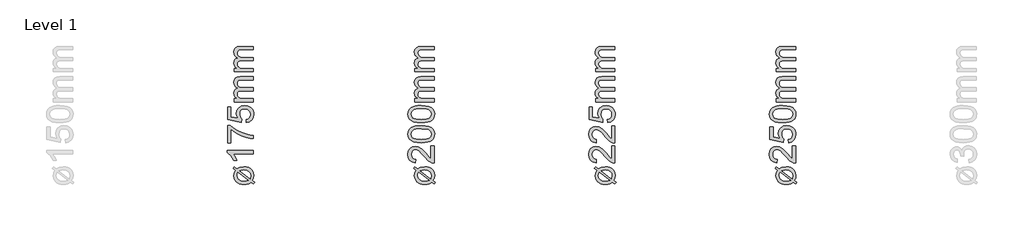
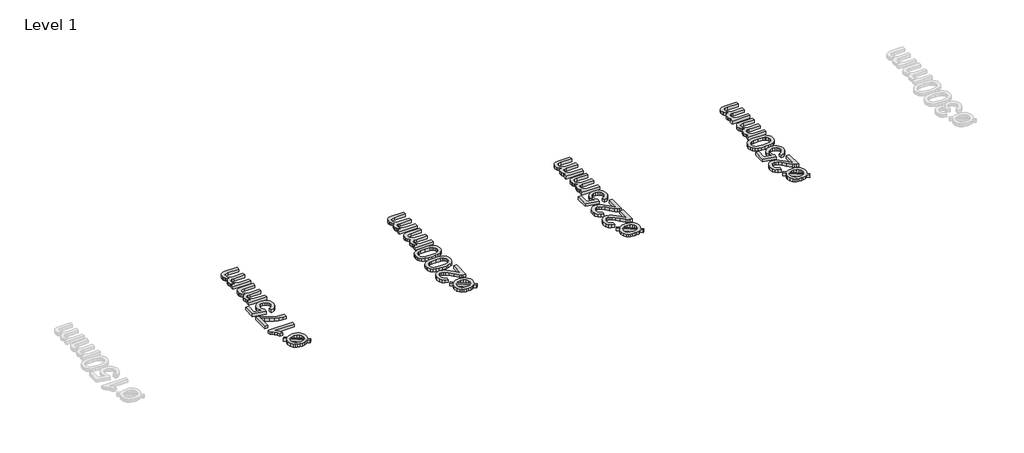
# One storey, part 16 of 17: 4 proxies.
"""IFC4 building model written with IfcOpenShell, lengths in millimetres."""

from ifc_helpers import new_model, si_unit, origin, origin_with_axes, place, context, project, spatial, polyline, outline, extrude, element, save

model = new_model("IFC4")

# Units and contexts
model_context = context("Model", 3, world=origin())
ifc_project = project(units=[si_unit("LENGTHUNIT", "METRE", prefix="MILLI")], contexts=[model_context])

# Site, building, storey
site = spatial("IfcSite", under=ifc_project)
building = spatial("IfcBuilding", under=site)
storey = spatial("IfcBuildingStorey", under=building, Name="Level 1", Elevation=0.0)

# Proxies
placement = place(None, origin())
element("IfcBuildingElementProxy", 1, Name="250mm", ObjectType="250mm", at=placement, inside=storey, context=model_context, shape_type="SweptSolid", body=[
    extrude(outline(polyline([(7343.3524153, 3032.5908228), (7319.0735691, 3050.9802459), (7330.2514537, 3065.6437074), (7355.6721268, 3046.3528421), (7381.934146, 3061.8576498), (7421.1168383, 3067.4465921), (7444.6595066, 3065.7000476), (7464.8668383, 3060.4604142), (7481.7388335, 3051.7276918), (7495.2754922, 3039.5018805), (7509.5182807, 3014.5169046), (7514.2658768, 2984.8744767), (7510.2244105, 2960.1298853), (7498.1000114, 2938.4201498), (7521.9581845, 2920.3312074), (7511.0206845, 2905.4273613), (7488.2442422, 2922.7350536), (7465.0471268, 2908.7326498), (7445.2454441, 2903.7296449), (7422.9798191, 2902.0619767), (7399.093476, 2903.5794046), (7378.7565619, 2908.1316882), (7361.9690769, 2915.7188276), (7348.731021, 2926.3408228), (7331.536009, 2952.7380584), (7325.8043383, 2983.3720728), (7330.0411172, 3008.3119767), (7343.3524153, 3032.5908228)]), holes=[polyline([(7365.2274153, 3016.0042844), (7358.7370307, 3000.619669), (7356.5735691, 2984.5138998), (7360.7277158, 2964.306568), (7373.1901557, 2947.6749574), (7393.8707446, 2936.5421449), (7422.6793383, 2932.8312074), (7445.0952037, 2934.9796449), (7463.544723, 2941.4249574), (7365.2274153, 3016.0042844)]), polyline([(7380.6120307, 3027.4826498), (7478.388473, 2953.3239959), (7483.496646, 2982.8913036), (7479.4326436, 3004.2254382), (7467.2406364, 3021.4730344), (7446.9356484, 3032.8762796), (7418.5327037, 3036.6773613), (7397.3187614, 3034.3336113), (7380.6120307, 3027.4826498)])]), origin_with_axes(), (0.0, 0.0, 1.0), 30.0),
    extrude(outline(polyline([(7510.419723, 3221.2927459), (7510.419723, 3190.5235151), (7318.5927999, 3190.5235151), (7339.356021, 3161.3768805), (7354.8908768, 3128.9850536), (7325.8043383, 3128.9850536), (7312.6583047, 3153.1512195), (7297.0182807, 3174.0872171), (7280.3866701, 3190.5911233), (7264.2658768, 3201.4610151), (7264.2658768, 3221.2927459), (7510.419723, 3221.2927459)])), origin_with_axes(), (0.0, 0.0, 1.0), 30.0),
    extrude(outline(polyline([(7298.8812614, 3294.369669), (7268.1120307, 3294.369669), (7268.1120307, 3455.9081305), (7292.9918383, 3455.9081305), (7322.1309609, 3432.8837916), (7359.1877518, 3410.0848132), (7400.7818023, 3389.9751377), (7443.5327037, 3375.0187074), (7475.5188816, 3367.6869767), (7510.419723, 3363.6004382), (7510.419723, 3332.8312074), (7478.7039778, 3336.159032), (7441.0086653, 3345.0607748), (7401.052235, 3359.2960512), (7362.5531364, 3378.6244767), (7327.7499513, 3401.1905824), (7298.8812614, 3425.1388998), (7298.8812614, 3294.369669)])), origin_with_axes(), (0.0, 0.0, 1.0), 30.0),
    extrude(outline(polyline([(7445.0351076, 3482.8312074), (7441.1889537, 3513.6004382), (7459.661009, 3519.2494767), (7472.8896749, 3529.1052459), (7480.8449033, 3543.1226738), (7483.496646, 3561.2566882), (7479.8082446, 3583.3119767), (7468.7430403, 3599.838419), (7451.5780763, 3610.1599334), (7429.590396, 3613.6004382), (7408.887271, 3610.377782), (7393.0519345, 3600.7098132), (7383.0008528, 3584.5214118), (7379.6504922, 3561.7374574), (7384.9990499, 3534.7242363), (7398.8812614, 3517.4465921), (7395.0351076, 3486.6773613), (7268.1120307, 3513.6004382), (7268.1120307, 3632.8312074), (7298.8812614, 3632.8312074), (7298.8812614, 3538.4802459), (7366.669723, 3525.3191882), (7353.3283768, 3547.2993565), (7348.8812614, 3570.3312074), (7354.3950835, 3599.079705), (7370.9365499, 3622.9453901), (7396.1468864, 3639.0135993), (7427.6673191, 3644.369669), (7458.4365499, 3639.5469526), (7484.7586653, 3625.0788036), (7497.6680703, 3612.2933469), (7506.8890739, 3597.3744767), (7512.4216761, 3580.322193), (7514.2658768, 3561.1364959), (7509.5257927, 3530.9156425), (7495.3055403, 3506.8396209), (7473.2577638, 3490.3357147), (7445.0351076, 3482.8312074)])), origin_with_axes(), (0.0, 0.0, 1.0), 30.0),
    extrude(outline(polyline([(7510.419723, 3678.9850536), (7329.6504922, 3678.9850536), (7329.6504922, 3709.7542844), (7359.3980883, 3709.7542844), (7345.7337254, 3719.0090921), (7335.029098, 3730.9081305), (7328.1105283, 3745.0457507), (7325.8043383, 3761.0163036), (7328.1556004, 3778.1286834), (7335.2093864, 3791.8456305), (7346.4999513, 3802.0920248), (7361.5615499, 3808.7927459), (7345.9177698, 3820.0081906), (7334.7436412, 3832.8011594), (7328.0391641, 3847.1716522), (7325.8043383, 3863.119669), (7329.5227879, 3886.2491762), (7340.6781364, 3903.354044), (7359.5708648, 3913.923455), (7386.5014537, 3917.4465921), (7510.419723, 3917.4465921), (7510.419723, 3886.6773613), (7399.7226076, 3886.6773613), (7374.0315018, 3883.822794), (7361.3812614, 3873.4862555), (7356.5735691, 3855.9081305), (7359.653497, 3839.2389599), (7368.8932807, 3825.6497171), (7384.9239297, 3816.6127579), (7408.3764537, 3813.6004382), (7510.419723, 3813.6004382), (7510.419723, 3782.8312074), (7396.2971268, 3782.8312074), (7378.8992903, 3781.0508589), (7366.4894345, 3775.7098132), (7359.0525355, 3766.3122772), (7356.5735691, 3752.3624574), (7358.2262133, 3740.5084911), (7363.184146, 3729.5860151), (7371.3271749, 3720.5715921), (7382.5351076, 3714.4417844), (7419.2538576, 3709.7542844), (7510.419723, 3709.7542844), (7510.419723, 3678.9850536)])), origin_with_axes(), (0.0, 0.0, 1.0), 30.0),
    extrude(outline(polyline([(7510.419723, 3963.6004382), (7329.6504922, 3963.6004382), (7329.6504922, 3994.369669), (7359.3980883, 3994.369669), (7345.7337254, 4003.6244767), (7335.029098, 4015.5235151), (7328.1105283, 4029.6611353), (7325.8043383, 4045.6316882), (7328.1556004, 4062.744068), (7335.2093864, 4076.4610151), (7346.4999513, 4086.7074094), (7361.5615499, 4093.4081305), (7345.9177698, 4104.6235752), (7334.7436412, 4117.416544), (7328.0391641, 4131.7870368), (7325.8043383, 4147.7350536), (7329.5227879, 4170.8645608), (7340.6781364, 4187.9694286), (7359.5708648, 4198.5388397), (7386.5014537, 4202.0619767), (7510.419723, 4202.0619767), (7510.419723, 4171.2927459), (7399.7226076, 4171.2927459), (7374.0315018, 4168.4381786), (7361.3812614, 4158.1016401), (7356.5735691, 4140.5235151), (7359.653497, 4123.8543445), (7368.8932807, 4110.2651017), (7384.9239297, 4101.2281425), (7408.3764537, 4098.2158228), (7510.419723, 4098.2158228), (7510.419723, 4067.4465921), (7396.2971268, 4067.4465921), (7378.8992903, 4065.6662435), (7366.4894345, 4060.3251978), (7359.0525355, 4050.9276618), (7356.5735691, 4036.9778421), (7358.2262133, 4025.1238757), (7363.184146, 4014.2013998), (7371.3271749, 4005.1869767), (7382.5351076, 3999.057169), (7419.2538576, 3994.369669), (7510.419723, 3994.369669), (7510.419723, 3963.6004382)])), origin_with_axes(), (0.0, 0.0, 1.0), 30.0),
])
element("IfcBuildingElementProxy", 2, Name="250mm", ObjectType="250mm", at=placement, inside=storey, context=model_context, shape_type="SweptSolid", body=[
    extrude(outline(polyline([(9043.3524153, 3032.5908228), (9019.0735691, 3050.9802459), (9030.2514537, 3065.6437074), (9055.6721268, 3046.3528421), (9081.934146, 3061.8576498), (9121.1168383, 3067.4465921), (9144.6595066, 3065.7000476), (9164.8668383, 3060.4604142), (9181.7388335, 3051.7276918), (9195.2754922, 3039.5018805), (9209.5182807, 3014.5169046), (9214.2658768, 2984.8744767), (9210.2244105, 2960.1298853), (9198.1000114, 2938.4201498), (9221.9581845, 2920.3312074), (9211.0206845, 2905.4273613), (9188.2442422, 2922.7350536), (9165.0471268, 2908.7326498), (9145.2454441, 2903.7296449), (9122.9798191, 2902.0619767), (9099.093476, 2903.5794046), (9078.7565619, 2908.1316882), (9061.9690769, 2915.7188276), (9048.731021, 2926.3408228), (9031.536009, 2952.7380584), (9025.8043383, 2983.3720728), (9030.0411172, 3008.3119767), (9043.3524153, 3032.5908228)]), holes=[polyline([(9065.2274153, 3016.0042844), (9058.7370307, 3000.619669), (9056.5735691, 2984.5138998), (9060.7277158, 2964.306568), (9073.1901557, 2947.6749574), (9093.8707446, 2936.5421449), (9122.6793383, 2932.8312074), (9145.0952037, 2934.9796449), (9163.544723, 2941.4249574), (9065.2274153, 3016.0042844)]), polyline([(9080.6120307, 3027.4826498), (9178.388473, 2953.3239959), (9183.496646, 2982.8913036), (9179.4326436, 3004.2254382), (9167.2406364, 3021.4730344), (9146.9356484, 3032.8762796), (9118.5327037, 3036.6773613), (9097.3187614, 3034.3336113), (9080.6120307, 3027.4826498)])]), origin_with_axes(), (0.0, 0.0, 1.0), 30.0),
    extrude(outline(polyline([(9179.6504922, 3263.6004382), (9210.419723, 3263.6004382), (9210.419723, 3102.0619767), (9189.2057807, 3105.3672651), (9172.6267542, 3112.9544046), (9156.543521, 3124.057169), (9120.8764537, 3162.5788036), (9091.3842662, 3195.7819286), (9069.6144345, 3215.7038036), (9051.9461653, 3225.6647411), (9034.7586653, 3228.9850536), (9019.3515138, 3225.8525416), (9006.543521, 3216.4550055), (8997.9122109, 3202.0093925), (8995.0351076, 3183.7326498), (8997.8446028, 3164.5394406), (9006.2730883, 3149.6280824), (9019.6595066, 3140.0051858), (9037.3427999, 3136.6773613), (9033.496646, 3105.9081305), (9003.7340258, 3113.3675656), (8981.9942422, 3129.4958709), (8968.6979682, 3153.4517002), (8964.2658768, 3184.3937074), (8969.1937614, 3215.5610752), (8983.9774153, 3239.4718324), (9006.0627518, 3254.6836714), (9032.8956845, 3259.7542844), (9062.0723672, 3254.2855344), (9092.2406364, 3236.1064478), (9134.3980883, 3192.025919), (9163.9954441, 3156.6292844), (9179.6504922, 3142.7470728), (9179.6504922, 3263.6004382)])), origin_with_axes(), (0.0, 0.0, 1.0), 30.0),
    extrude(outline(polyline([(9089.325973, 3294.369669), (9049.9254321, 3296.6307868), (9018.5026557, 3303.4141401), (8994.5768744, 3314.6521209), (8977.6673191, 3330.2771209), (8967.6162374, 3350.4018204), (8964.2658768, 3375.1388998), (8966.2490499, 3394.0992363), (8972.1985691, 3411.0763998), (8981.8815619, 3425.2741161), (8995.0651557, 3435.8961113), (9031.4834249, 3450.3191882), (9056.6862494, 3454.5108949), (9089.325973, 3455.9081305), (9128.5011533, 3453.6695488), (9159.8488095, 3446.9538036), (9183.7971268, 3435.783431), (9200.7742903, 3420.1809671), (9210.8929802, 3400.0111954), (9214.2658768, 3375.1388998), (9212.8010331, 3358.1917844), (9208.4065018, 3343.1677459), (9201.0822831, 3330.0667844), (9190.8283768, 3318.8888998), (9172.2924694, 3308.1617363), (9149.1967662, 3300.4994767), (9121.5412674, 3295.9021209), (9089.325973, 3294.369669)]), holes=[polyline([(9089.2658768, 3325.1388998), (9137.6658167, 3328.744669), (9154.2204291, 3333.2518805), (9165.6781364, 3339.5619767), (9179.0420186, 3355.6677459), (9183.496646, 3375.1388998), (9179.0269946, 3394.6100536), (9165.6180403, 3410.7158228), (9154.1415529, 3417.025919), (9137.5906965, 3421.5331305), (9089.2658768, 3425.1388998), (9041.9551797, 3421.6533228), (9025.4550295, 3417.2963517), (9013.7250114, 3411.1965921), (8999.7075835, 3395.1208709), (8995.0351076, 3374.7783228), (8999.1516941, 3355.5175055), (9011.5014537, 3340.0427459), (9024.2718864, 3333.5223132), (9041.4894345, 3328.8648613), (9089.2658768, 3325.1388998)])]), origin_with_axes(), (0.0, 0.0, 1.0), 30.0),
    extrude(outline(polyline([(9089.325973, 3482.8312074), (9049.9254321, 3485.0923252), (9018.5026557, 3491.8756786), (8994.5768744, 3503.1136594), (8977.6673191, 3518.7386594), (8967.6162374, 3538.8633589), (8964.2658768, 3563.6004382), (8966.2490499, 3582.5607748), (8972.1985691, 3599.5379382), (8981.8815619, 3613.7356546), (8995.0651557, 3624.3576498), (9031.4834249, 3638.7807267), (9056.6862494, 3642.9724334), (9089.325973, 3644.369669), (9128.5011533, 3642.1310873), (9159.8488095, 3635.4153421), (9183.7971268, 3624.2449695), (9200.7742903, 3608.6425055), (9210.8929802, 3588.4727339), (9214.2658768, 3563.6004382), (9212.8010331, 3546.6533228), (9208.4065018, 3531.6292844), (9201.0822831, 3518.5283228), (9190.8283768, 3507.3504382), (9172.2924694, 3496.6232748), (9149.1967662, 3488.9610151), (9121.5412674, 3484.3636594), (9089.325973, 3482.8312074)]), holes=[polyline([(9089.2658768, 3513.6004382), (9137.6658167, 3517.2062074), (9154.2204291, 3521.713419), (9165.6781364, 3528.0235151), (9179.0420186, 3544.1292844), (9183.496646, 3563.6004382), (9179.0269946, 3583.0715921), (9165.6180403, 3599.1773613), (9154.1415529, 3605.4874574), (9137.5906965, 3609.994669), (9089.2658768, 3613.6004382), (9041.9551797, 3610.1148613), (9025.4550295, 3605.7578901), (9013.7250114, 3599.6581305), (8999.7075835, 3583.5824094), (8995.0351076, 3563.2398613), (8999.1516941, 3543.979044), (9011.5014537, 3528.5042844), (9024.2718864, 3521.9838517), (9041.4894345, 3517.3263998), (9089.2658768, 3513.6004382)])]), origin_with_axes(), (0.0, 0.0, 1.0), 30.0),
    extrude(outline(polyline([(9210.419723, 3678.9850536), (9029.6504922, 3678.9850536), (9029.6504922, 3709.7542844), (9059.3980883, 3709.7542844), (9045.7337254, 3719.0090921), (9035.029098, 3730.9081305), (9028.1105283, 3745.0457507), (9025.8043383, 3761.0163036), (9028.1556004, 3778.1286834), (9035.2093864, 3791.8456305), (9046.4999513, 3802.0920248), (9061.5615499, 3808.7927459), (9045.9177698, 3820.0081906), (9034.7436412, 3832.8011594), (9028.0391641, 3847.1716522), (9025.8043383, 3863.119669), (9029.5227879, 3886.2491762), (9040.6781364, 3903.354044), (9059.5708648, 3913.923455), (9086.5014537, 3917.4465921), (9210.419723, 3917.4465921), (9210.419723, 3886.6773613), (9099.7226076, 3886.6773613), (9074.0315018, 3883.822794), (9061.3812614, 3873.4862555), (9056.5735691, 3855.9081305), (9059.653497, 3839.2389599), (9068.8932807, 3825.6497171), (9084.9239297, 3816.6127579), (9108.3764537, 3813.6004382), (9210.419723, 3813.6004382), (9210.419723, 3782.8312074), (9096.2971268, 3782.8312074), (9078.8992903, 3781.0508589), (9066.4894345, 3775.7098132), (9059.0525355, 3766.3122772), (9056.5735691, 3752.3624574), (9058.2262133, 3740.5084911), (9063.184146, 3729.5860151), (9071.3271749, 3720.5715921), (9082.5351076, 3714.4417844), (9119.2538576, 3709.7542844), (9210.419723, 3709.7542844), (9210.419723, 3678.9850536)])), origin_with_axes(), (0.0, 0.0, 1.0), 30.0),
    extrude(outline(polyline([(9210.419723, 3963.6004382), (9029.6504922, 3963.6004382), (9029.6504922, 3994.369669), (9059.3980883, 3994.369669), (9045.7337254, 4003.6244767), (9035.029098, 4015.5235151), (9028.1105283, 4029.6611353), (9025.8043383, 4045.6316882), (9028.1556004, 4062.744068), (9035.2093864, 4076.4610151), (9046.4999513, 4086.7074094), (9061.5615499, 4093.4081305), (9045.9177698, 4104.6235752), (9034.7436412, 4117.416544), (9028.0391641, 4131.7870368), (9025.8043383, 4147.7350536), (9029.5227879, 4170.8645608), (9040.6781364, 4187.9694286), (9059.5708648, 4198.5388397), (9086.5014537, 4202.0619767), (9210.419723, 4202.0619767), (9210.419723, 4171.2927459), (9099.7226076, 4171.2927459), (9074.0315018, 4168.4381786), (9061.3812614, 4158.1016401), (9056.5735691, 4140.5235151), (9059.653497, 4123.8543445), (9068.8932807, 4110.2651017), (9084.9239297, 4101.2281425), (9108.3764537, 4098.2158228), (9210.419723, 4098.2158228), (9210.419723, 4067.4465921), (9096.2971268, 4067.4465921), (9078.8992903, 4065.6662435), (9066.4894345, 4060.3251978), (9059.0525355, 4050.9276618), (9056.5735691, 4036.9778421), (9058.2262133, 4025.1238757), (9063.184146, 4014.2013998), (9071.3271749, 4005.1869767), (9082.5351076, 3999.057169), (9119.2538576, 3994.369669), (9210.419723, 3994.369669), (9210.419723, 3963.6004382)])), origin_with_axes(), (0.0, 0.0, 1.0), 30.0),
])
element("IfcBuildingElementProxy", 3, Name="250mm", ObjectType="250mm", at=placement, inside=storey, context=model_context, shape_type="SweptSolid", body=[
    extrude(outline(polyline([(10743.3524153, 3032.5908228), (10719.0735691, 3050.9802459), (10730.2514537, 3065.6437074), (10755.6721268, 3046.3528421), (10781.934146, 3061.8576498), (10821.1168383, 3067.4465921), (10844.6595066, 3065.7000476), (10864.8668383, 3060.4604142), (10881.7388335, 3051.7276918), (10895.2754922, 3039.5018805), (10909.5182807, 3014.5169046), (10914.2658768, 2984.8744767), (10910.2244105, 2960.1298853), (10898.1000114, 2938.4201498), (10921.9581845, 2920.3312074), (10911.0206845, 2905.4273613), (10888.2442422, 2922.7350536), (10865.0471268, 2908.7326498), (10845.2454441, 2903.7296449), (10822.9798191, 2902.0619767), (10799.093476, 2903.5794046), (10778.7565619, 2908.1316882), (10761.9690769, 2915.7188276), (10748.731021, 2926.3408228), (10731.536009, 2952.7380584), (10725.8043383, 2983.3720728), (10730.0411172, 3008.3119767), (10743.3524153, 3032.5908228)]), holes=[polyline([(10765.2274153, 3016.0042844), (10758.7370307, 3000.619669), (10756.5735691, 2984.5138998), (10760.7277158, 2964.306568), (10773.1901557, 2947.6749574), (10793.8707446, 2936.5421449), (10822.6793383, 2932.8312074), (10845.0952037, 2934.9796449), (10863.544723, 2941.4249574), (10765.2274153, 3016.0042844)]), polyline([(10780.6120307, 3027.4826498), (10878.388473, 2953.3239959), (10883.496646, 2982.8913036), (10879.4326436, 3004.2254382), (10867.2406364, 3021.4730344), (10846.9356484, 3032.8762796), (10818.5327037, 3036.6773613), (10797.3187614, 3034.3336113), (10780.6120307, 3027.4826498)])]), origin_with_axes(), (0.0, 0.0, 1.0), 30.0),
    extrude(outline(polyline([(10879.6504922, 3263.6004382), (10910.419723, 3263.6004382), (10910.419723, 3102.0619767), (10889.2057807, 3105.3672651), (10872.6267542, 3112.9544046), (10856.543521, 3124.057169), (10820.8764537, 3162.5788036), (10791.3842662, 3195.7819286), (10769.6144345, 3215.7038036), (10751.9461653, 3225.6647411), (10734.7586653, 3228.9850536), (10719.3515138, 3225.8525416), (10706.543521, 3216.4550055), (10697.9122109, 3202.0093925), (10695.0351076, 3183.7326498), (10697.8446028, 3164.5394406), (10706.2730883, 3149.6280824), (10719.6595066, 3140.0051858), (10737.3427999, 3136.6773613), (10733.496646, 3105.9081305), (10703.7340258, 3113.3675656), (10681.9942422, 3129.4958709), (10668.6979682, 3153.4517002), (10664.2658768, 3184.3937074), (10669.1937614, 3215.5610752), (10683.9774153, 3239.4718324), (10706.0627518, 3254.6836714), (10732.8956845, 3259.7542844), (10762.0723672, 3254.2855344), (10792.2406364, 3236.1064478), (10834.3980883, 3192.025919), (10863.9954441, 3156.6292844), (10879.6504922, 3142.7470728), (10879.6504922, 3263.6004382)])), origin_with_axes(), (0.0, 0.0, 1.0), 30.0),
    extrude(outline(polyline([(10879.6504922, 3452.0619767), (10910.419723, 3452.0619767), (10910.419723, 3290.5235151), (10889.2057807, 3293.8288036), (10872.6267542, 3301.415943), (10856.543521, 3312.5187074), (10820.8764537, 3351.0403421), (10791.3842662, 3384.2434671), (10769.6144345, 3404.1653421), (10751.9461653, 3414.1262796), (10734.7586653, 3417.4465921), (10719.3515138, 3414.31408), (10706.543521, 3404.916544), (10697.9122109, 3390.470931), (10695.0351076, 3372.1941882), (10697.8446028, 3353.0009791), (10706.2730883, 3338.0896209), (10719.6595066, 3328.4667243), (10737.3427999, 3325.1388998), (10733.496646, 3294.369669), (10703.7340258, 3301.8291041), (10681.9942422, 3317.9574094), (10668.6979682, 3341.9132387), (10664.2658768, 3372.8552459), (10669.1937614, 3404.0226137), (10683.9774153, 3427.9333709), (10706.0627518, 3443.1452099), (10732.8956845, 3448.2158228), (10762.0723672, 3442.7470728), (10792.2406364, 3424.5679863), (10834.3980883, 3380.4874574), (10863.9954441, 3345.0908228), (10879.6504922, 3331.2086113), (10879.6504922, 3452.0619767)])), origin_with_axes(), (0.0, 0.0, 1.0), 30.0),
    extrude(outline(polyline([(10845.0351076, 3482.8312074), (10841.1889537, 3513.6004382), (10859.661009, 3519.2494767), (10872.8896749, 3529.1052459), (10880.8449033, 3543.1226738), (10883.496646, 3561.2566882), (10879.8082446, 3583.3119767), (10868.7430403, 3599.838419), (10851.5780763, 3610.1599334), (10829.590396, 3613.6004382), (10808.887271, 3610.377782), (10793.0519345, 3600.7098132), (10783.0008528, 3584.5214118), (10779.6504922, 3561.7374574), (10784.9990499, 3534.7242363), (10798.8812614, 3517.4465921), (10795.0351076, 3486.6773613), (10668.1120307, 3513.6004382), (10668.1120307, 3632.8312074), (10698.8812614, 3632.8312074), (10698.8812614, 3538.4802459), (10766.669723, 3525.3191882), (10753.3283768, 3547.2993565), (10748.8812614, 3570.3312074), (10754.3950835, 3599.079705), (10770.9365499, 3622.9453901), (10796.1468864, 3639.0135993), (10827.6673191, 3644.369669), (10858.4365499, 3639.5469526), (10884.7586653, 3625.0788036), (10897.6680703, 3612.2933469), (10906.8890739, 3597.3744767), (10912.4216761, 3580.322193), (10914.2658768, 3561.1364959), (10909.5257927, 3530.9156425), (10895.3055403, 3506.8396209), (10873.2577638, 3490.3357147), (10845.0351076, 3482.8312074)])), origin_with_axes(), (0.0, 0.0, 1.0), 30.0),
    extrude(outline(polyline([(10910.419723, 3678.9850536), (10729.6504922, 3678.9850536), (10729.6504922, 3709.7542844), (10759.3980883, 3709.7542844), (10745.7337254, 3719.0090921), (10735.029098, 3730.9081305), (10728.1105283, 3745.0457507), (10725.8043383, 3761.0163036), (10728.1556004, 3778.1286834), (10735.2093864, 3791.8456305), (10746.4999513, 3802.0920248), (10761.5615499, 3808.7927459), (10745.9177698, 3820.0081906), (10734.7436412, 3832.8011594), (10728.0391641, 3847.1716522), (10725.8043383, 3863.119669), (10729.5227879, 3886.2491762), (10740.6781364, 3903.354044), (10759.5708648, 3913.923455), (10786.5014537, 3917.4465921), (10910.419723, 3917.4465921), (10910.419723, 3886.6773613), (10799.7226076, 3886.6773613), (10774.0315018, 3883.822794), (10761.3812614, 3873.4862555), (10756.5735691, 3855.9081305), (10759.653497, 3839.2389599), (10768.8932807, 3825.6497171), (10784.9239297, 3816.6127579), (10808.3764537, 3813.6004382), (10910.419723, 3813.6004382), (10910.419723, 3782.8312074), (10796.2971268, 3782.8312074), (10778.8992903, 3781.0508589), (10766.4894345, 3775.7098132), (10759.0525355, 3766.3122772), (10756.5735691, 3752.3624574), (10758.2262133, 3740.5084911), (10763.184146, 3729.5860151), (10771.3271749, 3720.5715921), (10782.5351076, 3714.4417844), (10819.2538576, 3709.7542844), (10910.419723, 3709.7542844), (10910.419723, 3678.9850536)])), origin_with_axes(), (0.0, 0.0, 1.0), 30.0),
    extrude(outline(polyline([(10910.419723, 3963.6004382), (10729.6504922, 3963.6004382), (10729.6504922, 3994.369669), (10759.3980883, 3994.369669), (10745.7337254, 4003.6244767), (10735.029098, 4015.5235151), (10728.1105283, 4029.6611353), (10725.8043383, 4045.6316882), (10728.1556004, 4062.744068), (10735.2093864, 4076.4610151), (10746.4999513, 4086.7074094), (10761.5615499, 4093.4081305), (10745.9177698, 4104.6235752), (10734.7436412, 4117.416544), (10728.0391641, 4131.7870368), (10725.8043383, 4147.7350536), (10729.5227879, 4170.8645608), (10740.6781364, 4187.9694286), (10759.5708648, 4198.5388397), (10786.5014537, 4202.0619767), (10910.419723, 4202.0619767), (10910.419723, 4171.2927459), (10799.7226076, 4171.2927459), (10774.0315018, 4168.4381786), (10761.3812614, 4158.1016401), (10756.5735691, 4140.5235151), (10759.653497, 4123.8543445), (10768.8932807, 4110.2651017), (10784.9239297, 4101.2281425), (10808.3764537, 4098.2158228), (10910.419723, 4098.2158228), (10910.419723, 4067.4465921), (10796.2971268, 4067.4465921), (10778.8992903, 4065.6662435), (10766.4894345, 4060.3251978), (10759.0525355, 4050.9276618), (10756.5735691, 4036.9778421), (10758.2262133, 4025.1238757), (10763.184146, 4014.2013998), (10771.3271749, 4005.1869767), (10782.5351076, 3999.057169), (10819.2538576, 3994.369669), (10910.419723, 3994.369669), (10910.419723, 3963.6004382)])), origin_with_axes(), (0.0, 0.0, 1.0), 30.0),
])
element("IfcBuildingElementProxy", 4, Name="250mm", ObjectType="250mm", at=placement, inside=storey, context=model_context, shape_type="SweptSolid", body=[
    extrude(outline(polyline([(12443.3524153, 3032.5908228), (12419.0735691, 3050.9802459), (12430.2514537, 3065.6437074), (12455.6721268, 3046.3528421), (12481.934146, 3061.8576498), (12521.1168383, 3067.4465921), (12544.6595066, 3065.7000476), (12564.8668383, 3060.4604142), (12581.7388335, 3051.7276918), (12595.2754922, 3039.5018805), (12609.5182807, 3014.5169046), (12614.2658768, 2984.8744767), (12610.2244105, 2960.1298853), (12598.1000114, 2938.4201498), (12621.9581845, 2920.3312074), (12611.0206845, 2905.4273613), (12588.2442422, 2922.7350536), (12565.0471268, 2908.7326498), (12545.2454441, 2903.7296449), (12522.9798191, 2902.0619767), (12499.093476, 2903.5794046), (12478.7565619, 2908.1316882), (12461.9690769, 2915.7188276), (12448.731021, 2926.3408228), (12431.536009, 2952.7380584), (12425.8043383, 2983.3720728), (12430.0411172, 3008.3119767), (12443.3524153, 3032.5908228)]), holes=[polyline([(12465.2274153, 3016.0042844), (12458.7370307, 3000.619669), (12456.5735691, 2984.5138998), (12460.7277158, 2964.306568), (12473.1901557, 2947.6749574), (12493.8707446, 2936.5421449), (12522.6793383, 2932.8312074), (12545.0952037, 2934.9796449), (12563.544723, 2941.4249574), (12465.2274153, 3016.0042844)]), polyline([(12480.6120307, 3027.4826498), (12578.388473, 2953.3239959), (12583.496646, 2982.8913036), (12579.4326436, 3004.2254382), (12567.2406364, 3021.4730344), (12546.9356484, 3032.8762796), (12518.5327037, 3036.6773613), (12497.3187614, 3034.3336113), (12480.6120307, 3027.4826498)])]), origin_with_axes(), (0.0, 0.0, 1.0), 30.0),
    extrude(outline(polyline([(12579.6504922, 3263.6004382), (12610.419723, 3263.6004382), (12610.419723, 3102.0619767), (12589.2057807, 3105.3672651), (12572.6267542, 3112.9544046), (12556.543521, 3124.057169), (12520.8764537, 3162.5788036), (12491.3842662, 3195.7819286), (12469.6144345, 3215.7038036), (12451.9461653, 3225.6647411), (12434.7586653, 3228.9850536), (12419.3515138, 3225.8525416), (12406.543521, 3216.4550055), (12397.9122109, 3202.0093925), (12395.0351076, 3183.7326498), (12397.8446028, 3164.5394406), (12406.2730883, 3149.6280824), (12419.6595066, 3140.0051858), (12437.3427999, 3136.6773613), (12433.496646, 3105.9081305), (12403.7340258, 3113.3675656), (12381.9942422, 3129.4958709), (12368.6979682, 3153.4517002), (12364.2658768, 3184.3937074), (12369.1937614, 3215.5610752), (12383.9774153, 3239.4718324), (12406.0627518, 3254.6836714), (12432.8956845, 3259.7542844), (12462.0723672, 3254.2855344), (12492.2406364, 3236.1064478), (12534.3980883, 3192.025919), (12563.9954441, 3156.6292844), (12579.6504922, 3142.7470728), (12579.6504922, 3263.6004382)])), origin_with_axes(), (0.0, 0.0, 1.0), 30.0),
    extrude(outline(polyline([(12545.0351076, 3294.369669), (12541.1889537, 3325.1388998), (12559.661009, 3330.7879382), (12572.8896749, 3340.6437074), (12580.8449033, 3354.6611353), (12583.496646, 3372.7951498), (12579.8082446, 3394.8504382), (12568.7430403, 3411.3768805), (12551.5780763, 3421.6983949), (12529.590396, 3425.1388998), (12508.887271, 3421.9162435), (12493.0519345, 3412.2482748), (12483.0008528, 3396.0598733), (12479.6504922, 3373.275919), (12484.9990499, 3346.2626978), (12498.8812614, 3328.9850536), (12495.0351076, 3298.2158228), (12368.1120307, 3325.1388998), (12368.1120307, 3444.369669), (12398.8812614, 3444.369669), (12398.8812614, 3350.0187074), (12466.669723, 3336.8576498), (12453.3283768, 3358.837818), (12448.8812614, 3381.869669), (12454.3950835, 3410.6181666), (12470.9365499, 3434.4838517), (12496.1468864, 3450.5520608), (12527.6673191, 3455.9081305), (12558.4365499, 3451.0854142), (12584.7586653, 3436.6172651), (12597.6680703, 3423.8318084), (12606.8890739, 3408.9129382), (12612.4216761, 3391.8606546), (12614.2658768, 3372.6749574), (12609.5257927, 3342.4541041), (12595.3055403, 3318.3780824), (12573.2577638, 3301.8741762), (12545.0351076, 3294.369669)])), origin_with_axes(), (0.0, 0.0, 1.0), 30.0),
    extrude(outline(polyline([(12489.325973, 3482.8312074), (12449.9254321, 3485.0923252), (12418.5026557, 3491.8756786), (12394.5768744, 3503.1136594), (12377.6673191, 3518.7386594), (12367.6162374, 3538.8633589), (12364.2658768, 3563.6004382), (12366.2490499, 3582.5607748), (12372.1985691, 3599.5379382), (12381.8815619, 3613.7356546), (12395.0651557, 3624.3576498), (12431.4834249, 3638.7807267), (12456.6862494, 3642.9724334), (12489.325973, 3644.369669), (12528.5011533, 3642.1310873), (12559.8488095, 3635.4153421), (12583.7971268, 3624.2449695), (12600.7742903, 3608.6425055), (12610.8929802, 3588.4727339), (12614.2658768, 3563.6004382), (12612.8010331, 3546.6533228), (12608.4065018, 3531.6292844), (12601.0822831, 3518.5283228), (12590.8283768, 3507.3504382), (12572.2924694, 3496.6232748), (12549.1967662, 3488.9610151), (12521.5412674, 3484.3636594), (12489.325973, 3482.8312074)]), holes=[polyline([(12489.2658768, 3513.6004382), (12537.6658167, 3517.2062074), (12554.2204291, 3521.713419), (12565.6781364, 3528.0235151), (12579.0420186, 3544.1292844), (12583.496646, 3563.6004382), (12579.0269946, 3583.0715921), (12565.6180403, 3599.1773613), (12554.1415529, 3605.4874574), (12537.5906965, 3609.994669), (12489.2658768, 3613.6004382), (12441.9551797, 3610.1148613), (12425.4550295, 3605.7578901), (12413.7250114, 3599.6581305), (12399.7075835, 3583.5824094), (12395.0351076, 3563.2398613), (12399.1516941, 3543.979044), (12411.5014537, 3528.5042844), (12424.2718864, 3521.9838517), (12441.4894345, 3517.3263998), (12489.2658768, 3513.6004382)])]), origin_with_axes(), (0.0, 0.0, 1.0), 30.0),
    extrude(outline(polyline([(12610.419723, 3678.9850536), (12429.6504922, 3678.9850536), (12429.6504922, 3709.7542844), (12459.3980883, 3709.7542844), (12445.7337254, 3719.0090921), (12435.029098, 3730.9081305), (12428.1105283, 3745.0457507), (12425.8043383, 3761.0163036), (12428.1556004, 3778.1286834), (12435.2093864, 3791.8456305), (12446.4999513, 3802.0920248), (12461.5615499, 3808.7927459), (12445.9177698, 3820.0081906), (12434.7436412, 3832.8011594), (12428.0391641, 3847.1716522), (12425.8043383, 3863.119669), (12429.5227879, 3886.2491762), (12440.6781364, 3903.354044), (12459.5708648, 3913.923455), (12486.5014537, 3917.4465921), (12610.419723, 3917.4465921), (12610.419723, 3886.6773613), (12499.7226076, 3886.6773613), (12474.0315018, 3883.822794), (12461.3812614, 3873.4862555), (12456.5735691, 3855.9081305), (12459.653497, 3839.2389599), (12468.8932807, 3825.6497171), (12484.9239297, 3816.6127579), (12508.3764537, 3813.6004382), (12610.419723, 3813.6004382), (12610.419723, 3782.8312074), (12496.2971268, 3782.8312074), (12478.8992903, 3781.0508589), (12466.4894345, 3775.7098132), (12459.0525355, 3766.3122772), (12456.5735691, 3752.3624574), (12458.2262133, 3740.5084911), (12463.184146, 3729.5860151), (12471.3271749, 3720.5715921), (12482.5351076, 3714.4417844), (12519.2538576, 3709.7542844), (12610.419723, 3709.7542844), (12610.419723, 3678.9850536)])), origin_with_axes(), (0.0, 0.0, 1.0), 30.0),
    extrude(outline(polyline([(12610.419723, 3963.6004382), (12429.6504922, 3963.6004382), (12429.6504922, 3994.369669), (12459.3980883, 3994.369669), (12445.7337254, 4003.6244767), (12435.029098, 4015.5235151), (12428.1105283, 4029.6611353), (12425.8043383, 4045.6316882), (12428.1556004, 4062.744068), (12435.2093864, 4076.4610151), (12446.4999513, 4086.7074094), (12461.5615499, 4093.4081305), (12445.9177698, 4104.6235752), (12434.7436412, 4117.416544), (12428.0391641, 4131.7870368), (12425.8043383, 4147.7350536), (12429.5227879, 4170.8645608), (12440.6781364, 4187.9694286), (12459.5708648, 4198.5388397), (12486.5014537, 4202.0619767), (12610.419723, 4202.0619767), (12610.419723, 4171.2927459), (12499.7226076, 4171.2927459), (12474.0315018, 4168.4381786), (12461.3812614, 4158.1016401), (12456.5735691, 4140.5235151), (12459.653497, 4123.8543445), (12468.8932807, 4110.2651017), (12484.9239297, 4101.2281425), (12508.3764537, 4098.2158228), (12610.419723, 4098.2158228), (12610.419723, 4067.4465921), (12496.2971268, 4067.4465921), (12478.8992903, 4065.6662435), (12466.4894345, 4060.3251978), (12459.0525355, 4050.9276618), (12456.5735691, 4036.9778421), (12458.2262133, 4025.1238757), (12463.184146, 4014.2013998), (12471.3271749, 4005.1869767), (12482.5351076, 3999.057169), (12519.2538576, 3994.369669), (12610.419723, 3994.369669), (12610.419723, 3963.6004382)])), origin_with_axes(), (0.0, 0.0, 1.0), 30.0),
])

save(model, "model.ifc")
